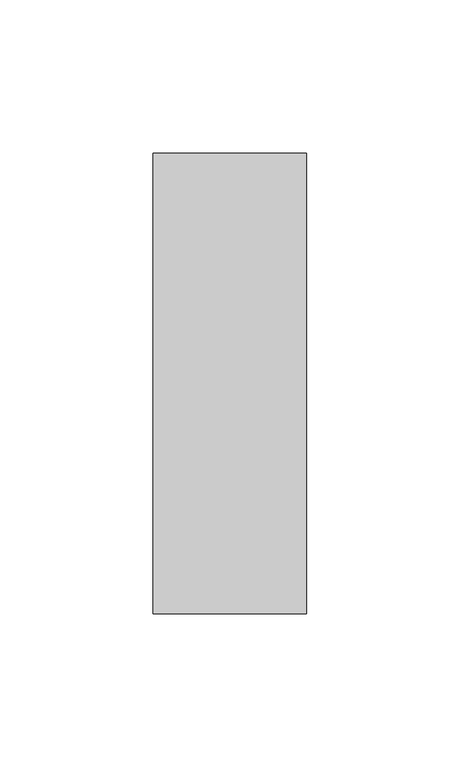
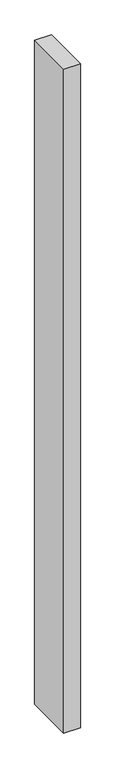
"""IFC4 building model written with IfcOpenShell, lengths in millimetres: member geometry."""

from ifc_helpers import new_model, si_unit, frame, origin, place, context, project, spatial, polyline, outline, extrude, source, transform, mapped, element, save


def member_69155bbe(model_context):
    return source(origin(), model_context, "Body", "SweptSolid", [
        extrude(outline(polyline([(0.0, 75.0), (0.0, -75.0), (-50.0, -75.0), (-50.0, 75.0), (0.0, 75.0)])), frame((0.0, 0.0, -2100.0), z_axis=(0.0, 0.0, 1.0), x_axis=(1.0, 0.0, 0.0)), (0.0, 0.0, 1.0), 2100.0),
    ])


if __name__ == "__main__":
    model = new_model("IFC4")
    model_context = context("Model", 3, world=origin())
    ifc_project = project(units=[si_unit("LENGTHUNIT", "METRE", prefix="MILLI")], contexts=[model_context])
    site = spatial("IfcSite", under=ifc_project)
    building = spatial("IfcBuilding", under=site)
    placement = place(None, origin())
    member_shape = member_69155bbe(model_context)
    element("IfcMember", 1, at=placement, inside=building, context=model_context, shape_type="MappedRepresentation", body=[
        mapped(member_shape, transform((0.0, 0.0, 0.0), x_axis=(1.0, 0.0, 0.0), y_axis=(0.0, 1.0, 0.0), z_axis=(0.0, 0.0, 1.0))),
    ])
    save(model, "model.ifc")
